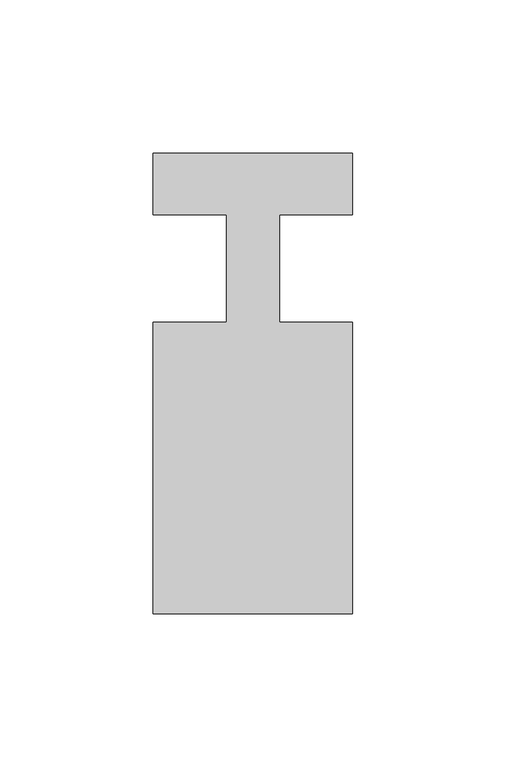
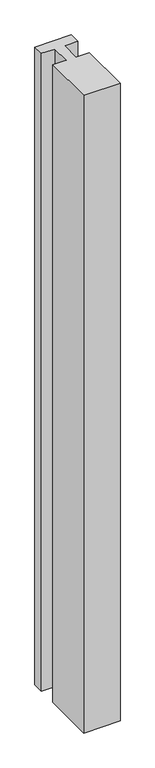
"""IFC4 building model written with IfcOpenShell, lengths in millimetres: member geometry."""

from ifc_helpers import new_model, si_unit, frame, origin, place, context, project, spatial, polyline, outline, extrude, source, transform, mapped, element, save


def member_a78d2b25(model_context):
    return source(origin(), model_context, "Body", "SweptSolid", [
        extrude(outline(polyline([(-65.0, 37.0), (0.0, 37.0), (0.0, 17.0), (-23.8125, 17.0), (-23.8125, -18.0), (0.0, -18.0), (0.0, -113.0), (-65.0, -113.0), (-65.0, -18.0), (-41.1875, -18.0), (-41.1875, 17.0), (-65.0, 17.0), (-65.0, 37.0)])), frame((0.0, 0.0, -1200.0), z_axis=(0.0, 0.0, 1.0), x_axis=(1.0, 0.0, 0.0)), (0.0, 0.0, 1.0), 1200.0),
    ])


if __name__ == "__main__":
    model = new_model("IFC4")
    model_context = context("Model", 3, world=origin())
    ifc_project = project(units=[si_unit("LENGTHUNIT", "METRE", prefix="MILLI")], contexts=[model_context])
    site = spatial("IfcSite", under=ifc_project)
    building = spatial("IfcBuilding", under=site)
    placement = place(None, origin())
    member_shape = member_a78d2b25(model_context)
    element("IfcMember", 1, at=placement, inside=building, context=model_context, shape_type="MappedRepresentation", body=[
        mapped(member_shape, transform((0.0, 0.0, 0.0), x_axis=(1.0, 0.0, 0.0), y_axis=(0.0, 1.0, 0.0), z_axis=(0.0, 0.0, 1.0))),
    ])
    save(model, "model.ifc")
